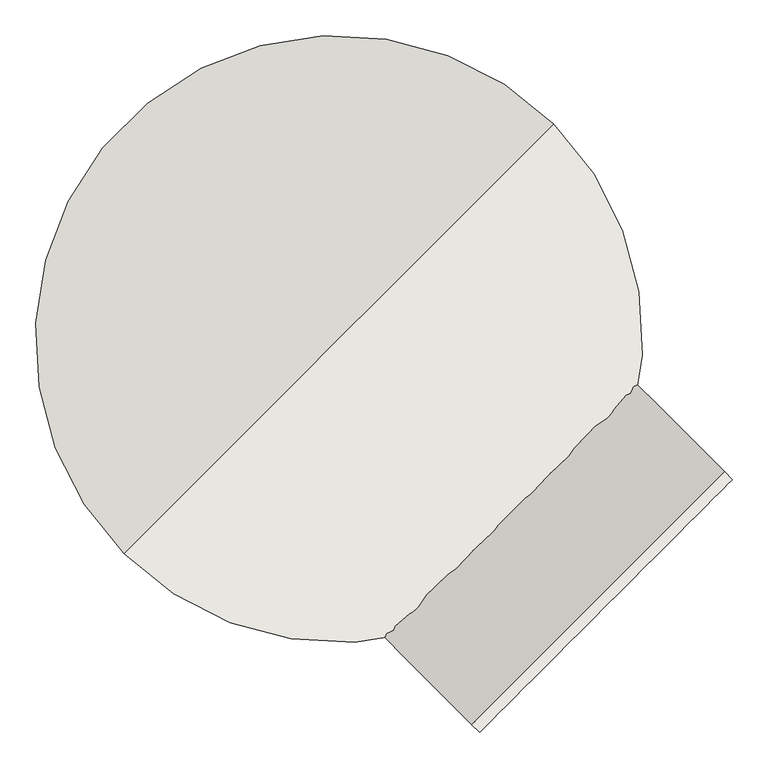
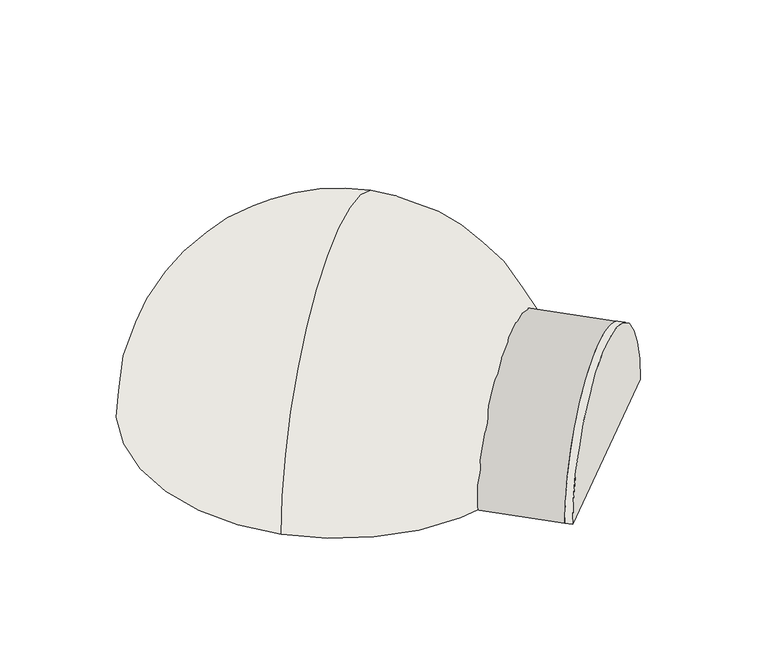
"""IFC4 building model written with IfcOpenShell, lengths in millimetres: wall geometry."""

import ifcopenshell
import ifcopenshell.guid

model = None  # the IFC model being written
_history = None  # IfcOwnerHistory: only IFC2X3 demands one
_inside = {}  # id of a spatial element -> (the spatial element, [elements in it])
_under = {}  # id of a project, library or spatial element -> (it, [spatial elements below it])
_declared = {}  # id of a project -> (the project, [libraries it declares])
_typed = {}  # id of a type object -> (the type object, [elements of that type])
_made_of = {}  # id of a material, layer set ... -> (it, [elements and type objects made of it])


def new_model(schema):
    """Start an empty IFC model of exactly this schema.

    Asked for "IFC4X3", IfcOpenShell would pick the latest addendum, in which some entities
    have other attributes; the version numbers below select the first issue.
    IFC2X3 requires an IfcOwnerHistory on every rooted entity: one is made here for all.
    """
    global model, _history
    if schema == "IFC4X3":
        model = ifcopenshell.file(schema_version=(4, 3, 0, 0))
    else:
        model = ifcopenshell.file(schema=schema)
    _inside.clear()
    _under.clear()
    _declared.clear()
    _typed.clear()
    _made_of.clear()
    _history = None
    if model.schema == "IFC2X3":
        org = make("IfcOrganization", Name="unknown")
        user = make(
            "IfcPersonAndOrganization",
            ThePerson=make("IfcPerson", FamilyName="unknown"),
            TheOrganization=org,
        )
        app = make(
            "IfcApplication",
            ApplicationDeveloper=org,
            Version="unknown",
            ApplicationFullName="unknown",
            ApplicationIdentifier="unknown",
        )
        _history = make(
            "IfcOwnerHistory",
            OwningUser=user,
            OwningApplication=app,
            ChangeAction="ADDED",
            CreationDate=0,
        )
    return model


def make(cls, **values):
    """One entity of the class cls with the attributes given. An attribute that is None is left unset."""
    return model.create_entity(
        cls, **{name: value for name, value in values.items() if value is not None}
    )


def rooted(cls, **values):
    """An entity with a GlobalId (a new one), such as an element, a storey or a relation."""
    return make(cls, GlobalId=ifcopenshell.guid.new(), OwnerHistory=_history, **values)


def si_unit(unit_type, name, prefix=None):
    """IfcSIUnit, for example si_unit("LENGTHUNIT", "METRE", prefix="MILLI")."""
    return make("IfcSIUnit", UnitType=unit_type, Prefix=prefix, Name=name)


def assignment(units):
    """IfcUnitAssignment: the units of a project."""
    return None if units is None else make("IfcUnitAssignment", Units=units)


def point(xyz):
    """IfcCartesianPoint."""
    return None if xyz is None else make("IfcCartesianPoint", Coordinates=xyz)


def direction(xyz):
    """IfcDirection."""
    return None if xyz is None else make("IfcDirection", DirectionRatios=xyz)


def frame(location, z_axis=None, x_axis=None):
    """IfcAxis2Placement3D, a coordinate frame: its origin and axes. An axis left out is left unset."""
    return make(
        "IfcAxis2Placement3D",
        Location=point(location),
        Axis=direction(z_axis),
        RefDirection=direction(x_axis),
    )


def frame_2d(location, x_axis=None):
    """IfcAxis2Placement2D, a coordinate frame in the plane: its origin and x axis."""
    return make(
        "IfcAxis2Placement2D", Location=point(location), RefDirection=direction(x_axis)
    )


def origin():
    """The frame at (0, 0, 0) with its axes left unset."""
    return frame((0.0, 0.0, 0.0))


def place(relative_to, where):
    """IfcLocalPlacement: puts the frame where relative to a parent placement (None: the world)."""
    return make(
        "IfcLocalPlacement", PlacementRelTo=relative_to, RelativePlacement=where
    )


def context(
    kind, dimensions, precision=None, world=None, true_north=None, identifier=None
):
    """IfcGeometricRepresentationContext, for example the 3D "Model" context."""
    return make(
        "IfcGeometricRepresentationContext",
        ContextIdentifier=identifier,
        ContextType=kind,
        CoordinateSpaceDimension=dimensions,
        Precision=precision,
        WorldCoordinateSystem=world,
        TrueNorth=true_north,
    )


def project(units=None, contexts=None):
    """IfcProject with its units and contexts."""
    return rooted(
        "IfcProject",
        Name="project",
        RepresentationContexts=contexts,
        UnitsInContext=assignment(units),
    )


def spatial(cls, under=None, at=None, **own):
    """A site, building, storey or space (cls), placed at a placement, below another one or the project."""
    s = rooted(cls, ObjectPlacement=at, **own)
    if under is not None:
        _under.setdefault(under.id(), (under, []))[1].append(s)
    return s


def polyline(points):
    """IfcPolyline through the points."""
    return make("IfcPolyline", Points=[point(p) for p in points])


def circle_curve(where, radius):
    """IfcCircle in the frame where."""
    return make("IfcCircle", Position=where, Radius=radius)


def ellipse_curve(where, semi_axis1, semi_axis2):
    """IfcEllipse in the frame where."""
    return make(
        "IfcEllipse", Position=where, SemiAxis1=semi_axis1, SemiAxis2=semi_axis2
    )


def trimmed(basis, trim1, trim2, sense, master):
    """IfcTrimmedCurve: the piece of a basis curve between two trims."""
    return make(
        "IfcTrimmedCurve",
        BasisCurve=basis,
        Trim1=trim1,
        Trim2=trim2,
        SenseAgreement=sense,
        MasterRepresentation=master,
    )


def segment(curve, same_sense, transition):
    """IfcCompositeCurveSegment."""
    return make(
        "IfcCompositeCurveSegment",
        Transition=transition,
        SameSense=same_sense,
        ParentCurve=curve,
    )


def composite_curve(segments, self_intersect=None):
    """IfcCompositeCurve: segments joined end to end."""
    return make("IfcCompositeCurve", Segments=segments, SelfIntersect=self_intersect)


def outline(outer, holes=None, kind="AREA"):
    """IfcArbitraryClosedProfileDef: a profile drawn as a closed curve; with holes, ...WithVoids."""
    if holes is None:
        return make("IfcArbitraryClosedProfileDef", ProfileType=kind, OuterCurve=outer)
    return make(
        "IfcArbitraryProfileDefWithVoids",
        ProfileType=kind,
        OuterCurve=outer,
        InnerCurves=holes,
    )


def extrude(swept, where, along, depth):
    """IfcExtrudedAreaSolid: the profile swept, set in the frame where, extruded along a direction by depth."""
    return make(
        "IfcExtrudedAreaSolid",
        SweptArea=swept,
        Position=where,
        ExtrudedDirection=direction(along),
        Depth=depth,
    )


def shape(context_of_items, identifier, shape_type, items):
    """IfcShapeRepresentation: the items that make up one representation, for example the "Body"."""
    return make(
        "IfcShapeRepresentation",
        ContextOfItems=context_of_items,
        RepresentationIdentifier=identifier,
        RepresentationType=shape_type,
        Items=items,
    )


def source(mapping_origin, context_of_items, identifier, shape_type, items):
    """IfcRepresentationMap: a shape defined once, which mapped items show again and again."""
    return make(
        "IfcRepresentationMap",
        MappingOrigin=mapping_origin,
        MappedRepresentation=shape(context_of_items, identifier, shape_type, items),
    )


def transform(
    local_origin,
    x_axis=None,
    y_axis=None,
    z_axis=None,
    scale=None,
    scale2=None,
    scale3=None,
    uniform=True,
):
    """IfcCartesianTransformationOperator3D, or its non-uniform kind. x_axis, y_axis, z_axis: its Axis1, 2, 3."""
    if uniform:
        return make(
            "IfcCartesianTransformationOperator3D",
            Axis1=direction(x_axis),
            Axis2=direction(y_axis),
            LocalOrigin=point(local_origin),
            Scale=scale,
            Axis3=direction(z_axis),
        )
    return make(
        "IfcCartesianTransformationOperator3DnonUniform",
        Axis1=direction(x_axis),
        Axis2=direction(y_axis),
        LocalOrigin=point(local_origin),
        Scale=scale,
        Axis3=direction(z_axis),
        Scale2=scale2,
        Scale3=scale3,
    )


def mapped(mapping_source, mapping_target):
    """IfcMappedItem: shows the shape of a source again, moved by a transform."""
    return make(
        "IfcMappedItem", MappingSource=mapping_source, MappingTarget=mapping_target
    )


def made_of(thing, what):
    """Note that an element or type object is made of a material, layer set ...; save() writes the relation."""
    if what is not None:
        _made_of.setdefault(what.id(), (what, []))[1].append(thing)
    return thing


def element(
    cls,
    number,
    at=None,
    inside=None,
    cuts=None,
    type_object=None,
    material=None,
    context=None,
    identifier="Body",
    shape_type=None,
    held_by="IfcProductDefinitionShape",
    body=None,
    shapes=None,
    **own,
):
    """One element of the class cls, such as IfcWall. Its Tag is "e" and its number.

    at: its placement. inside: the storey or other place that contains it. cuts: it is an
    opening in that element (IfcRelVoidsElement). A single representation is given by context,
    identifier, shape_type and body (its items); several are given by shapes. held_by: the class
    of the entity that holds the representations. save() writes the other relations.
    """
    e = rooted(cls, Tag="e%d" % number, ObjectPlacement=at, **own)
    if body is not None:
        shapes = [shape(context, identifier, shape_type, body)]
    if shapes is not None:
        e.Representation = make(held_by, Representations=shapes)
    if inside is not None:
        _inside.setdefault(inside.id(), (inside, []))[1].append(e)
    if cuts is not None:
        rooted(
            "IfcRelVoidsElement", RelatingBuildingElement=cuts, RelatedOpeningElement=e
        )
    if type_object is not None:
        _typed.setdefault(type_object.id(), (type_object, []))[1].append(e)
    return made_of(e, material)


def aggregate(whole, parts):
    """IfcRelAggregates: a whole, such as a stair, and the parts it consists of."""
    return rooted("IfcRelAggregates", RelatingObject=whole, RelatedObjects=parts)


def save(model, path):
    """Write the relations noted so far, then the file.

    IfcRelAggregates (storeys below a building ...), IfcRelContainedInSpatialStructure (elements
    in a storey), IfcRelDefinesByType, IfcRelAssociatesMaterial and IfcRelDeclares: one each for
    every whole, place, type object, material and project.
    """
    for whole, parts in _under.values():
        aggregate(whole, parts)
    for where, things in _inside.values():
        rooted(
            "IfcRelContainedInSpatialStructure",
            RelatedElements=things,
            RelatingStructure=where,
        )
    for kind, things in _typed.values():
        rooted("IfcRelDefinesByType", RelatedObjects=things, RelatingType=kind)
    for what, things in _made_of.values():
        rooted("IfcRelAssociatesMaterial", RelatedObjects=things, RelatingMaterial=what)
    for by, libraries in _declared.values():
        rooted("IfcRelDeclares", RelatingContext=by, RelatedDefinitions=libraries)
    model.write(path)


def plane_surface(at):
    """IfcPlane: the flat surface through the origin of the frame at, square to its z axis."""
    return make("IfcPlane", Position=at)


def cylinder_surface(at, radius):
    """IfcCylindricalSurface: all points at the distance radius from the z axis of the frame at."""
    return make("IfcCylindricalSurface", Position=at, Radius=radius)


def revolved_surface(curve, axis_point, axis_direction):
    """IfcSurfaceOfRevolution: the curve turned about the line through axis_point along axis_direction."""
    return make(
        "IfcSurfaceOfRevolution",
        SweptCurve=make("IfcArbitraryOpenProfileDef", ProfileType="CURVE", Curve=curve),
        AxisPosition=make("IfcAxis1Placement", Location=point(axis_point), Axis=direction(axis_direction)),
    )


def advanced_brep(points, edges, surfaces, faces):
    """IfcAdvancedBrep: a solid bounded by faces that lie on surfaces and meet in shared edges.

    An edge is (start, end): straight between two places in points (the first is 0);
    or (start, end, curve); or (start, end, curve, False) where it runs against its curve.
    A face is (place in surfaces, loops), or (place, loops, False) where it looks against
    its surface's normal. A loop lists edges by number (the first is 1), with a minus sign
    where the edge is run from its end to its start. The first loop is the outer one.
    """
    corners = [point(p) for p in points]
    vertices = [make("IfcVertexPoint", VertexGeometry=c) for c in corners]
    made = []
    for start, end, *more in edges:
        made.append(
            make(
                "IfcEdgeCurve",
                EdgeStart=vertices[start],
                EdgeEnd=vertices[end],
                EdgeGeometry=more[0] if more else make("IfcPolyline", Points=[corners[start], corners[end]]),
                SameSense=more[1] if len(more) > 1 else True,
            )
        )
    hull = []
    for where, loops, *sense in faces:
        bounds = []
        for j, loop in enumerate(loops):
            ring = [make("IfcOrientedEdge", EdgeElement=made[abs(k) - 1], Orientation=k > 0) for k in loop]
            bounds.append(
                make(
                    "IfcFaceOuterBound" if j == 0 else "IfcFaceBound",
                    Bound=make("IfcEdgeLoop", EdgeList=ring),
                    Orientation=True,
                )
            )
        hull.append(make("IfcAdvancedFace", Bounds=bounds, FaceSurface=surfaces[where], SameSense=sense[0] if sense else True))
    return make("IfcAdvancedBrep", Outer=make("IfcClosedShell", CfsFaces=hull))


def wall_98ff709d(model_context):
    return source(origin(), model_context, "Body", "SolidModel", [
        extrude(outline(composite_curve([segment(polyline([(-500.0, 0.0), (0.0, 0.0)]), True, "CONTINUOUS"), segment(trimmed(circle_curve(frame_2d((-250.0, 0.0)), 250.0), [point((0.0, 0.0))], [point((-500.0, 0.0))], False, "CARTESIAN"), True, "CONTINUOUS")], self_intersect=False)), frame((-12538.8368552, 4654.8544602, 900.0), z_axis=(-0.7071067811865263, 0.7071067811865688, 0.0), x_axis=(0.7071067811865688, 0.7071067811865263, 0.0)), (0.0, 0.0, 1.0), 15.2306672),
        advanced_brep(
        [(-13319.0295881, 4621.8743948, 900.0), (-12859.4101804, 5081.4938026, 900.0), (-12788.6995022, 5152.2044807, 900.0), (-13389.7402662, 4551.1637167, 900.0), (-13089.2198842, 4851.6840987, 1225.0), (-13089.2198842, 4851.6840987, 1325.0)],
        [
            (0, 1, circle_curve(frame((-13089.2198842, 4851.6840987, 900.0), z_axis=(0.0, 0.0, 1.0), x_axis=(0.7071067811865688, 0.7071067811865264, 0.0)), 325.0)),
            (1, 2),
            (2, 3, circle_curve(frame((-13089.2198842, 4851.6840987, 900.0), z_axis=(0.0, 0.0, -1.0), x_axis=(0.7071067811865688, 0.7071067811865264, 0.0)), 425.0)),
            (3, 0),
            (1, 0, circle_curve(frame((-13089.2198842, 4851.6840987, 900.0), z_axis=(0.0, 0.0, 1.0), x_axis=(0.7071067811865688, 0.7071067811865264, 0.0)), 325.0)),
            (3, 2, circle_curve(frame((-13089.2198842, 4851.6840987, 900.0), z_axis=(0.0, 0.0, -1.0), x_axis=(0.7071067811865688, 0.7071067811865264, 0.0)), 425.0)),
            (0, 4, circle_curve(frame((-13089.2198842, 4851.6840987, 900.0), z_axis=(-0.7071067811865287, 0.7071067811865664, 0.0), x_axis=(-0.7071067811865664, -0.7071067811865287, 0.0)), 325.0)),
            (4, 1, circle_curve(frame((-13089.2198842, 4851.6840987, 900.0), z_axis=(-0.7071067811865264, 0.7071067811865688, 0.0), x_axis=(0.7071067811865688, 0.7071067811865264, 0.0)), 325.0)),
            (2, 5, circle_curve(frame((-13089.2198842, 4851.6840987, 900.0), z_axis=(0.7071067811865264, -0.7071067811865688, 0.0), x_axis=(0.7071067811865688, 0.7071067811865264, 0.0)), 425.0)),
            (5, 3, circle_curve(frame((-13089.2198842, 4851.6840987, 900.0), z_axis=(0.7071067811865287, -0.7071067811865664, 0.0), x_axis=(-0.7071067811865664, -0.7071067811865287, 0.0)), 425.0)),
        ],
        [
            plane_surface(frame((-13089.2198842, 4851.6840987, 900.0), z_axis=(0.0, 0.0, -1.0000000000000002), x_axis=(0.7071067811865688, 0.7071067811865264, 0.0))),
            revolved_surface(trimmed(ellipse_curve(frame((-13089.2198842, 4851.6840987, 900.0), z_axis=(0.7071067811865264, -0.7071067811865688, 0.0), x_axis=(0.7071067811865688, 0.7071067811865264, 0.0)), 325.0, 325.0), [point((-12859.4101804, 5081.4938026, 900.0))], [point((-13089.2198842, 4851.6840987, 1225.0))], True, "CARTESIAN"), (-13089.2198842, 4851.6840987, 900.0), (0.0, 0.0, -1.0)),
            revolved_surface(trimmed(ellipse_curve(frame((-13089.2198842, 4851.6840987, 900.0), z_axis=(-0.7071067811865264, 0.7071067811865688, 0.0), x_axis=(0.7071067811865688, 0.7071067811865264, 0.0)), 425.0, 425.0), [point((-13089.2198842, 4851.6840987, 1325.0))], [point((-12788.6995022, 5152.2044807, 900.0))], True, "CARTESIAN"), (-13089.2198842, 4851.6840987, 900.0), (0.0, 0.0, -1.0)),
        ],
        [
            (0, [[1, 2, 3, 4]]),
            (0, [[-2, 5, -4, 6]]),
            (1, [[-1, 7, 8]]),
            (1, [[-5, -8, -7]]),
            (2, [[-3, 9, 10]]),
            (2, [[-6, -10, -9]]),
        ],
    ),
        advanced_brep(
        [(-12832.4492757, 4382.7814558, 900.0), (-12620.3172414, 4594.9134901, 900.0), (-12549.6065632, 4665.6241683, 900.0), (-12903.1599538, 4312.0707777, 900.0), (-13119.154828, 4528.0656518, 900.0), (-12991.417071, 4541.7492511, 900.0), (-12846.5914113, 4396.9235914, 900.0), (-12765.6014374, 4881.6190424, 900.0), (-12634.459377, 4609.0556258, 900.0), (-12779.2850367, 4753.8812855, 900.0)],
        [
            (0, 1, circle_curve(frame((-12726.3832585, 4488.847473, 900.0), z_axis=(-0.7071067811865264, 0.7071067811865688, 0.0), x_axis=(0.7071067811865688, 0.7071067811865264, 0.0)), 150.0)),
            (1, 2),
            (2, 3, circle_curve(frame((-12726.3832585, 4488.847473, 900.0), z_axis=(0.7071067811865264, -0.7071067811865688, 0.0), x_axis=(0.7071067811865688, 0.7071067811865264, 0.0)), 250.0)),
            (3, 0),
            (3, 4),
            (4, 5, circle_curve(frame((-13089.2198842, 4851.6840987, 900.0), z_axis=(0.0, 0.0, 1.0), x_axis=(-0.7071067811865688, -0.7071067811865264, 0.0)), 325.0)),
            (5, 6),
            (6, 0),
            (2, 7),
            (7, 4, circle_curve(frame((-12942.3781327, 4704.8423471, 900.0), z_axis=(0.7071067811865264, -0.7071067811865688, 0.0), x_axis=(0.7071067811865688, 0.7071067811865264, 0.0)), 250.0)),
            (1, 8),
            (8, 9),
            (9, 7, circle_curve(frame((-13089.2198842, 4851.6840987, 900.0), z_axis=(0.0, 0.0, 1.0), x_axis=(-0.7071067811865688, -0.7071067811865264, 0.0)), 325.0)),
            (5, 9, circle_curve(frame((-12885.3510539, 4647.8152683, 900.0), z_axis=(-0.7071067811865264, 0.7071067811865688, 0.0), x_axis=(0.7071067811865688, 0.7071067811865264, 0.0)), 150.0)),
        ],
        [
            plane_surface(frame((-13099.578542, 4115.6521895, 900.0), z_axis=(0.7071067811865264, -0.7071067811865688, 0.0), x_axis=(0.7071067811865688, 0.7071067811865264, 0.0))),
            plane_surface(frame((-13070.7147395, 4621.0469196, 900.0), z_axis=(0.0, 0.0, -1.0), x_axis=(0.7071067811865258, -0.7071067811865692, 0.0))),
            cylinder_surface(frame((-12726.3832585, 4488.847473, 900.0), z_axis=(-0.7071067811865264, 0.7071067811865688, 0.0), x_axis=(0.7071067811865688, 0.7071067811865264, 0.0)), 250.0),
            plane_surface(frame((-12787.872027, 4903.889632, 900.0), z_axis=(0.0, 0.0, -1.0), x_axis=(0.7071067811865267, -0.7071067811865684, 0.0))),
            revolved_surface(polyline([(-12620.317241322013, 4594.913490177976, 900.0), (-12779.285036672012, 4753.881285527987, 900.0)]), (-12726.3832585, 4488.847473, 900.0), (0.7071067811865264, -0.7071067811865688, 0.0)),
            revolved_surface(trimmed(ellipse_curve(frame((-13089.2198842, 4851.6840987, 900.0), z_axis=(0.7071067811865264, -0.7071067811865688, 0.0), x_axis=(-0.7071067811865688, -0.7071067811865264, 0.0)), 325.0, 325.0), [point((-13089.2198842, 4851.6840987, 1225.0))], [point((-13319.0295881, 4621.8743948, 900.0))], True, "CARTESIAN"), (-13089.2198842, 4851.6840987, 900.0), (0.0, 0.0, 1.0)),
        ],
        [
            (0, [[1, 2, 3, 4]]),
            (1, [[-4, 5, 6, 7, 8]]),
            (2, [[-3, 9, 10, -5]]),
            (3, [[-2, 11, 12, 13, -9]]),
            (4, [[-1, -8, -7, 14, -12, -11]]),
            (5, [[-6, -10, -13, -14]]),
        ],
    ),
    ])


if __name__ == "__main__":
    model = new_model("IFC4")
    model_context = context("Model", 3, world=origin())
    ifc_project = project(units=[si_unit("LENGTHUNIT", "METRE", prefix="MILLI")], contexts=[model_context])
    site = spatial("IfcSite", under=ifc_project)
    building = spatial("IfcBuilding", under=site)
    placement = place(None, origin())
    wall_shape = wall_98ff709d(model_context)
    element("IfcWall", 1, at=placement, inside=building, context=model_context, shape_type="MappedRepresentation", body=[
        mapped(wall_shape, transform((0.0, 0.0, 0.0), x_axis=(1.0, 0.0, 0.0), y_axis=(0.0, 1.0, 0.0), z_axis=(0.0, 0.0, 1.0))),
    ])
    save(model, "model.ifc")
